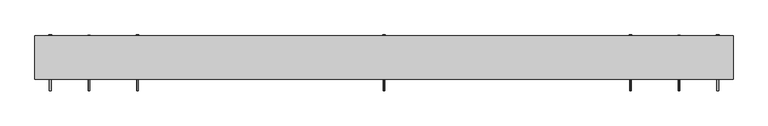
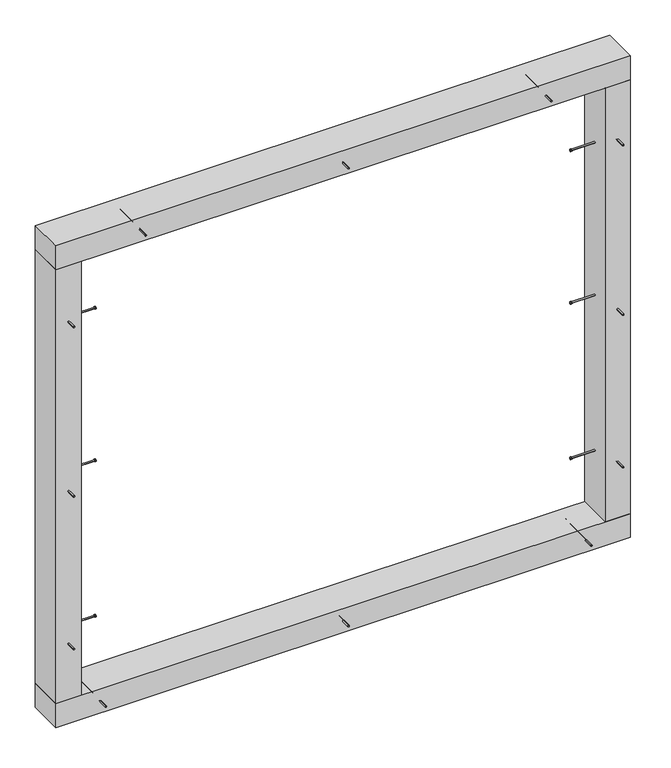
"""IFC4 building model written with IfcOpenShell, lengths in millimetres: proxy geometry."""

from ifc_helpers import new_model, si_unit, point, frame, frame_2d, origin, origin_with_axes, place, context, project, spatial, polyline, circle_curve, trimmed, segment, composite_curve, outline, extrude, source, transform, mapped, element, save


def generic_models_7e8bf7dc(model_context):
    return source(origin(), model_context, "Body", "SweptSolid", [
        extrude(outline(composite_curve([segment(trimmed(circle_curve(frame_2d((1677.5, 125.0)), 2.4700592), [point((1679.9700592, 125.0))], [point((1675.0299408, 125.0))], False, "CARTESIAN"), True, "CONTINUOUS"), segment(trimmed(circle_curve(frame_2d((1677.5, 125.0)), 2.4700592), [point((1675.0299408, 125.0))], [point((1679.9700592, 125.0))], False, "CARTESIAN"), True, "CONTINUOUS")], self_intersect=False)), frame((0.0, -67.0, 0.0), z_axis=(0.0, 1.0, 0.0), x_axis=(0.0, 0.0, 1.0)), (0.0, 0.0, 1.0), 152.0),
        extrude(outline(composite_curve([segment(trimmed(circle_curve(frame_2d((1677.5, 125.0)), 3.8), [point((1681.3, 125.0))], [point((1673.7, 125.0))], False, "CARTESIAN"), True, "CONTINUOUS"), segment(trimmed(circle_curve(frame_2d((1677.5, 125.0)), 3.8), [point((1673.7, 125.0))], [point((1681.3, 125.0))], False, "CARTESIAN"), True, "CONTINUOUS")], self_intersect=False)), frame((0.0, 85.0, 0.0), z_axis=(0.0, 1.0, 0.0), x_axis=(0.0, 0.0, 1.0)), (0.0, 0.0, 1.0), 3.0),
        extrude(outline(composite_curve([segment(trimmed(circle_curve(frame_2d((1677.5, 810.0)), 2.4700592), [point((1679.9700592, 810.0))], [point((1675.0299408, 810.0))], False, "CARTESIAN"), True, "CONTINUOUS"), segment(trimmed(circle_curve(frame_2d((1677.5, 810.0)), 2.4700592), [point((1675.0299408, 810.0))], [point((1679.9700592, 810.0))], False, "CARTESIAN"), True, "CONTINUOUS")], self_intersect=False)), frame((0.0, -67.0, 0.0), z_axis=(0.0, 1.0, 0.0), x_axis=(0.0, 0.0, 1.0)), (0.0, 0.0, 1.0), 152.0),
        extrude(outline(composite_curve([segment(trimmed(circle_curve(frame_2d((1677.5, 810.0)), 3.8), [point((1681.3, 810.0))], [point((1673.7, 810.0))], False, "CARTESIAN"), True, "CONTINUOUS"), segment(trimmed(circle_curve(frame_2d((1677.5, 810.0)), 3.8), [point((1673.7, 810.0))], [point((1681.3, 810.0))], False, "CARTESIAN"), True, "CONTINUOUS")], self_intersect=False)), frame((0.0, 85.0, 0.0), z_axis=(0.0, 1.0, 0.0), x_axis=(0.0, 0.0, 1.0)), (0.0, 0.0, 1.0), 3.0),
        extrude(outline(composite_curve([segment(trimmed(circle_curve(frame_2d((1677.5, -560.0)), 2.4700592), [point((1679.9700592, -560.0))], [point((1675.0299408, -560.0))], False, "CARTESIAN"), True, "CONTINUOUS"), segment(trimmed(circle_curve(frame_2d((1677.5, -560.0)), 2.4700592), [point((1675.0299408, -560.0))], [point((1679.9700592, -560.0))], False, "CARTESIAN"), True, "CONTINUOUS")], self_intersect=False)), frame((0.0, -67.0, 0.0), z_axis=(0.0, 1.0, 0.0), x_axis=(0.0, 0.0, 1.0)), (0.0, 0.0, 1.0), 152.0),
        extrude(outline(composite_curve([segment(trimmed(circle_curve(frame_2d((1677.5, -560.0)), 3.8), [point((1681.3, -560.0))], [point((1673.7, -560.0))], False, "CARTESIAN"), True, "CONTINUOUS"), segment(trimmed(circle_curve(frame_2d((1677.5, -560.0)), 3.8), [point((1673.7, -560.0))], [point((1681.3, -560.0))], False, "CARTESIAN"), True, "CONTINUOUS")], self_intersect=False)), frame((0.0, 85.0, 0.0), z_axis=(0.0, 1.0, 0.0), x_axis=(0.0, 0.0, 1.0)), (0.0, 0.0, 1.0), 3.0),
        extrude(outline(composite_curve([segment(trimmed(circle_curve(frame_2d((1677.5, -560.0)), 2.4700592), [point((1679.9700592, -560.0))], [point((1675.0299408, -560.0))], False, "CARTESIAN"), True, "CONTINUOUS"), segment(trimmed(circle_curve(frame_2d((1677.5, -560.0)), 2.4700592), [point((1675.0299408, -560.0))], [point((1679.9700592, -560.0))], False, "CARTESIAN"), True, "CONTINUOUS")], self_intersect=False)), frame((0.0, -67.0, 0.0), z_axis=(0.0, 1.0, 0.0), x_axis=(0.0, 0.0, 1.0)), (0.0, 0.0, 1.0), 152.0),
        extrude(outline(composite_curve([segment(trimmed(circle_curve(frame_2d((1677.5, -560.0)), 3.8), [point((1681.3, -560.0))], [point((1673.7, -560.0))], False, "CARTESIAN"), True, "CONTINUOUS"), segment(trimmed(circle_curve(frame_2d((1677.5, -560.0)), 3.8), [point((1673.7, -560.0))], [point((1681.3, -560.0))], False, "CARTESIAN"), True, "CONTINUOUS")], self_intersect=False)), frame((0.0, 85.0, 0.0), z_axis=(0.0, 1.0, 0.0), x_axis=(0.0, 0.0, 1.0)), (0.0, 0.0, 1.0), 3.0),
        extrude(outline(composite_curve([segment(trimmed(circle_curve(frame_2d((1677.5, 810.0)), 2.4700592), [point((1679.9700592, 810.0))], [point((1675.0299408, 810.0))], False, "CARTESIAN"), True, "CONTINUOUS"), segment(trimmed(circle_curve(frame_2d((1677.5, 810.0)), 2.4700592), [point((1675.0299408, 810.0))], [point((1679.9700592, 810.0))], False, "CARTESIAN"), True, "CONTINUOUS")], self_intersect=False)), frame((0.0, -67.0, 0.0), z_axis=(0.0, 1.0, 0.0), x_axis=(0.0, 0.0, 1.0)), (0.0, 0.0, 1.0), 152.0),
        extrude(outline(composite_curve([segment(trimmed(circle_curve(frame_2d((1677.5, 810.0)), 3.8), [point((1681.3, 810.0))], [point((1673.7, 810.0))], False, "CARTESIAN"), True, "CONTINUOUS"), segment(trimmed(circle_curve(frame_2d((1677.5, 810.0)), 3.8), [point((1673.7, 810.0))], [point((1681.3, 810.0))], False, "CARTESIAN"), True, "CONTINUOUS")], self_intersect=False)), frame((0.0, 85.0, 0.0), z_axis=(0.0, 1.0, 0.0), x_axis=(0.0, 0.0, 1.0)), (0.0, 0.0, 1.0), 3.0),
        extrude(outline(polyline([(1095.0, -35.0), (-845.0, -35.0), (-845.0, 85.0), (1095.0, 85.0), (1095.0, -35.0)])), frame((0.0, 0.0, 1635.0), z_axis=(0.0, 0.0, 1.0), x_axis=(1.0, 0.0, 0.0)), (0.0, 0.0, 1.0), 85.0),
        extrude(outline(composite_curve([segment(trimmed(circle_curve(frame_2d((42.5, 125.0)), 2.4700592), [point((44.9700592, 125.0))], [point((40.0299408, 125.0))], False, "CARTESIAN"), True, "CONTINUOUS"), segment(trimmed(circle_curve(frame_2d((42.5, 125.0)), 2.4700592), [point((40.0299408, 125.0))], [point((44.9700592, 125.0))], False, "CARTESIAN"), True, "CONTINUOUS")], self_intersect=False)), frame((0.0, -67.0, 0.0), z_axis=(0.0, 1.0, 0.0), x_axis=(0.0, 0.0, 1.0)), (0.0, 0.0, 1.0), 152.0),
        extrude(outline(composite_curve([segment(trimmed(circle_curve(frame_2d((42.5, 125.0)), 3.8), [point((46.3, 125.0))], [point((38.7, 125.0))], False, "CARTESIAN"), True, "CONTINUOUS"), segment(trimmed(circle_curve(frame_2d((42.5, 125.0)), 3.8), [point((38.7, 125.0))], [point((46.3, 125.0))], False, "CARTESIAN"), True, "CONTINUOUS")], self_intersect=False)), frame((0.0, 85.0, 0.0), z_axis=(0.0, 1.0, 0.0), x_axis=(0.0, 0.0, 1.0)), (0.0, 0.0, 1.0), 3.0),
        extrude(outline(composite_curve([segment(trimmed(circle_curve(frame_2d((42.5, 945.0)), 2.4700592), [point((44.9700592, 945.0))], [point((40.0299408, 945.0))], False, "CARTESIAN"), True, "CONTINUOUS"), segment(trimmed(circle_curve(frame_2d((42.5, 945.0)), 2.4700592), [point((40.0299408, 945.0))], [point((44.9700592, 945.0))], False, "CARTESIAN"), True, "CONTINUOUS")], self_intersect=False)), frame((0.0, -67.0, 0.0), z_axis=(0.0, 1.0, 0.0), x_axis=(0.0, 0.0, 1.0)), (0.0, 0.0, 1.0), 152.0),
        extrude(outline(composite_curve([segment(trimmed(circle_curve(frame_2d((42.5, 945.0)), 3.8), [point((46.3, 945.0))], [point((38.7, 945.0))], False, "CARTESIAN"), True, "CONTINUOUS"), segment(trimmed(circle_curve(frame_2d((42.5, 945.0)), 3.8), [point((38.7, 945.0))], [point((46.3, 945.0))], False, "CARTESIAN"), True, "CONTINUOUS")], self_intersect=False)), frame((0.0, 85.0, 0.0), z_axis=(0.0, 1.0, 0.0), x_axis=(0.0, 0.0, 1.0)), (0.0, 0.0, 1.0), 3.0),
        extrude(outline(composite_curve([segment(trimmed(circle_curve(frame_2d((42.5, -695.0)), 2.4700592), [point((44.9700592, -695.0))], [point((40.0299408, -695.0))], False, "CARTESIAN"), True, "CONTINUOUS"), segment(trimmed(circle_curve(frame_2d((42.5, -695.0)), 2.4700592), [point((40.0299408, -695.0))], [point((44.9700592, -695.0))], False, "CARTESIAN"), True, "CONTINUOUS")], self_intersect=False)), frame((0.0, -67.0, 0.0), z_axis=(0.0, 1.0, 0.0), x_axis=(0.0, 0.0, 1.0)), (0.0, 0.0, 1.0), 152.0),
        extrude(outline(composite_curve([segment(trimmed(circle_curve(frame_2d((42.5, -695.0)), 3.8), [point((46.3, -695.0))], [point((38.7, -695.0))], False, "CARTESIAN"), True, "CONTINUOUS"), segment(trimmed(circle_curve(frame_2d((42.5, -695.0)), 3.8), [point((38.7, -695.0))], [point((46.3, -695.0))], False, "CARTESIAN"), True, "CONTINUOUS")], self_intersect=False)), frame((0.0, 85.0, 0.0), z_axis=(0.0, 1.0, 0.0), x_axis=(0.0, 0.0, 1.0)), (0.0, 0.0, 1.0), 3.0),
        extrude(outline(composite_curve([segment(trimmed(circle_curve(frame_2d((42.5, -695.0)), 2.4700592), [point((44.9700592, -695.0))], [point((40.0299408, -695.0))], False, "CARTESIAN"), True, "CONTINUOUS"), segment(trimmed(circle_curve(frame_2d((42.5, -695.0)), 2.4700592), [point((40.0299408, -695.0))], [point((44.9700592, -695.0))], False, "CARTESIAN"), True, "CONTINUOUS")], self_intersect=False)), frame((0.0, -67.0, 0.0), z_axis=(0.0, 1.0, 0.0), x_axis=(0.0, 0.0, 1.0)), (0.0, 0.0, 1.0), 152.0),
        extrude(outline(composite_curve([segment(trimmed(circle_curve(frame_2d((42.5, -695.0)), 3.8), [point((46.3, -695.0))], [point((38.7, -695.0))], False, "CARTESIAN"), True, "CONTINUOUS"), segment(trimmed(circle_curve(frame_2d((42.5, -695.0)), 3.8), [point((38.7, -695.0))], [point((46.3, -695.0))], False, "CARTESIAN"), True, "CONTINUOUS")], self_intersect=False)), frame((0.0, 85.0, 0.0), z_axis=(0.0, 1.0, 0.0), x_axis=(0.0, 0.0, 1.0)), (0.0, 0.0, 1.0), 3.0),
        extrude(outline(composite_curve([segment(trimmed(circle_curve(frame_2d((42.5, 945.0)), 2.4700592), [point((44.9700592, 945.0))], [point((40.0299408, 945.0))], False, "CARTESIAN"), True, "CONTINUOUS"), segment(trimmed(circle_curve(frame_2d((42.5, 945.0)), 2.4700592), [point((40.0299408, 945.0))], [point((44.9700592, 945.0))], False, "CARTESIAN"), True, "CONTINUOUS")], self_intersect=False)), frame((0.0, -67.0, 0.0), z_axis=(0.0, 1.0, 0.0), x_axis=(0.0, 0.0, 1.0)), (0.0, 0.0, 1.0), 152.0),
        extrude(outline(composite_curve([segment(trimmed(circle_curve(frame_2d((42.5, 945.0)), 3.8), [point((46.3, 945.0))], [point((38.7, 945.0))], False, "CARTESIAN"), True, "CONTINUOUS"), segment(trimmed(circle_curve(frame_2d((42.5, 945.0)), 3.8), [point((38.7, 945.0))], [point((46.3, 945.0))], False, "CARTESIAN"), True, "CONTINUOUS")], self_intersect=False)), frame((0.0, 85.0, 0.0), z_axis=(0.0, 1.0, 0.0), x_axis=(0.0, 0.0, 1.0)), (0.0, 0.0, 1.0), 3.0),
        extrude(outline(polyline([(1095.0, -35.0), (-845.0, -35.0), (-845.0, 85.0), (1095.0, 85.0), (1095.0, -35.0)])), origin_with_axes(), (0.0, 0.0, 1.0), 85.0),
        extrude(outline(composite_curve([segment(trimmed(circle_curve(frame_2d((25.0, 305.0)), 2.4700592), [point((22.5299408, 305.0))], [point((27.4700592, 305.0))], False, "CARTESIAN"), True, "CONTINUOUS"), segment(trimmed(circle_curve(frame_2d((25.0, 305.0)), 2.4700592), [point((27.4700592, 305.0))], [point((22.5299408, 305.0))], False, "CARTESIAN"), True, "CONTINUOUS")], self_intersect=False)), frame((-820.0, 0.0, 0.0), z_axis=(1.0, 0.0, 0.0), x_axis=(0.0, 1.0, 0.0)), (0.0, 0.0, 1.0), 140.0),
        extrude(outline(composite_curve([segment(trimmed(circle_curve(frame_2d((25.0, 305.0)), 3.8), [point((21.2, 305.0))], [point((28.8, 305.0))], False, "CARTESIAN"), True, "CONTINUOUS"), segment(trimmed(circle_curve(frame_2d((25.0, 305.0)), 3.8), [point((28.8, 305.0))], [point((21.2, 305.0))], False, "CARTESIAN"), True, "CONTINUOUS")], self_intersect=False)), frame((-680.0, 0.0, 0.0), z_axis=(1.0, 0.0, 0.0), x_axis=(0.0, 1.0, 0.0)), (0.0, 0.0, 1.0), 3.0),
        extrude(outline(composite_curve([segment(trimmed(circle_curve(frame_2d((25.0, 1405.0)), 2.4700592), [point((22.5299408, 1405.0))], [point((27.4700592, 1405.0))], False, "CARTESIAN"), True, "CONTINUOUS"), segment(trimmed(circle_curve(frame_2d((25.0, 1405.0)), 2.4700592), [point((27.4700592, 1405.0))], [point((22.5299408, 1405.0))], False, "CARTESIAN"), True, "CONTINUOUS")], self_intersect=False)), frame((-820.0, 0.0, 0.0), z_axis=(1.0, 0.0, 0.0), x_axis=(0.0, 1.0, 0.0)), (0.0, 0.0, 1.0), 140.0),
        extrude(outline(composite_curve([segment(trimmed(circle_curve(frame_2d((25.0, 1405.0)), 3.8), [point((21.2, 1405.0))], [point((28.8, 1405.0))], False, "CARTESIAN"), True, "CONTINUOUS"), segment(trimmed(circle_curve(frame_2d((25.0, 1405.0)), 3.8), [point((28.8, 1405.0))], [point((21.2, 1405.0))], False, "CARTESIAN"), True, "CONTINUOUS")], self_intersect=False)), frame((-680.0, 0.0, 0.0), z_axis=(1.0, 0.0, 0.0), x_axis=(0.0, 1.0, 0.0)), (0.0, 0.0, 1.0), 3.0),
        extrude(outline(composite_curve([segment(trimmed(circle_curve(frame_2d((830.0, -802.5)), 2.4700592), [point((830.0, -804.9700592))], [point((830.0, -800.0299408))], False, "CARTESIAN"), True, "CONTINUOUS"), segment(trimmed(circle_curve(frame_2d((830.0, -802.5)), 2.4700592), [point((830.0, -800.0299408))], [point((830.0, -804.9700592))], False, "CARTESIAN"), True, "CONTINUOUS")], self_intersect=False)), frame((0.0, -67.0, 0.0), z_axis=(0.0, 1.0, 0.0), x_axis=(0.0, 0.0, 1.0)), (0.0, 0.0, 1.0), 152.0),
        extrude(outline(composite_curve([segment(trimmed(circle_curve(frame_2d((830.0, -802.5)), 3.8), [point((830.0, -806.3))], [point((830.0, -798.7))], False, "CARTESIAN"), True, "CONTINUOUS"), segment(trimmed(circle_curve(frame_2d((830.0, -802.5)), 3.8), [point((830.0, -798.7))], [point((830.0, -806.3))], False, "CARTESIAN"), True, "CONTINUOUS")], self_intersect=False)), frame((0.0, 85.0, 0.0), z_axis=(0.0, 1.0, 0.0), x_axis=(0.0, 0.0, 1.0)), (0.0, 0.0, 1.0), 3.0),
        extrude(outline(composite_curve([segment(trimmed(circle_curve(frame_2d((25.0, 860.0)), 2.4700592), [point((22.5299408, 860.0))], [point((27.4700592, 860.0))], False, "CARTESIAN"), True, "CONTINUOUS"), segment(trimmed(circle_curve(frame_2d((25.0, 860.0)), 2.4700592), [point((27.4700592, 860.0))], [point((22.5299408, 860.0))], False, "CARTESIAN"), True, "CONTINUOUS")], self_intersect=False)), frame((-820.0, 0.0, 0.0), z_axis=(1.0, 0.0, 0.0), x_axis=(0.0, 1.0, 0.0)), (0.0, 0.0, 1.0), 140.0),
        extrude(outline(composite_curve([segment(trimmed(circle_curve(frame_2d((25.0, 860.0)), 3.8), [point((21.2, 860.0))], [point((28.8, 860.0))], False, "CARTESIAN"), True, "CONTINUOUS"), segment(trimmed(circle_curve(frame_2d((25.0, 860.0)), 3.8), [point((28.8, 860.0))], [point((21.2, 860.0))], False, "CARTESIAN"), True, "CONTINUOUS")], self_intersect=False)), frame((-680.0, 0.0, 0.0), z_axis=(1.0, 0.0, 0.0), x_axis=(0.0, 1.0, 0.0)), (0.0, 0.0, 1.0), 3.0),
        extrude(outline(composite_curve([segment(trimmed(circle_curve(frame_2d((1435.0, -802.5)), 2.4700592), [point((1435.0, -804.9700592))], [point((1435.0, -800.0299408))], False, "CARTESIAN"), True, "CONTINUOUS"), segment(trimmed(circle_curve(frame_2d((1435.0, -802.5)), 2.4700592), [point((1435.0, -800.0299408))], [point((1435.0, -804.9700592))], False, "CARTESIAN"), True, "CONTINUOUS")], self_intersect=False)), frame((0.0, -67.0, 0.0), z_axis=(0.0, 1.0, 0.0), x_axis=(0.0, 0.0, 1.0)), (0.0, 0.0, 1.0), 152.0),
        extrude(outline(composite_curve([segment(trimmed(circle_curve(frame_2d((1435.0, -802.5)), 3.8), [point((1435.0, -806.3))], [point((1435.0, -798.7))], False, "CARTESIAN"), True, "CONTINUOUS"), segment(trimmed(circle_curve(frame_2d((1435.0, -802.5)), 3.8), [point((1435.0, -798.7))], [point((1435.0, -806.3))], False, "CARTESIAN"), True, "CONTINUOUS")], self_intersect=False)), frame((0.0, 85.0, 0.0), z_axis=(0.0, 1.0, 0.0), x_axis=(0.0, 0.0, 1.0)), (0.0, 0.0, 1.0), 3.0),
        extrude(outline(composite_curve([segment(trimmed(circle_curve(frame_2d((285.0, -802.5)), 2.4700592), [point((285.0, -804.9700592))], [point((285.0, -800.0299408))], False, "CARTESIAN"), True, "CONTINUOUS"), segment(trimmed(circle_curve(frame_2d((285.0, -802.5)), 2.4700592), [point((285.0, -800.0299408))], [point((285.0, -804.9700592))], False, "CARTESIAN"), True, "CONTINUOUS")], self_intersect=False)), frame((0.0, -67.0, 0.0), z_axis=(0.0, 1.0, 0.0), x_axis=(0.0, 0.0, 1.0)), (0.0, 0.0, 1.0), 152.0),
        extrude(outline(composite_curve([segment(trimmed(circle_curve(frame_2d((285.0, -802.5)), 3.8), [point((285.0, -806.3))], [point((285.0, -798.7))], False, "CARTESIAN"), True, "CONTINUOUS"), segment(trimmed(circle_curve(frame_2d((285.0, -802.5)), 3.8), [point((285.0, -798.7))], [point((285.0, -806.3))], False, "CARTESIAN"), True, "CONTINUOUS")], self_intersect=False)), frame((0.0, 85.0, 0.0), z_axis=(0.0, 1.0, 0.0), x_axis=(0.0, 0.0, 1.0)), (0.0, 0.0, 1.0), 3.0),
        extrude(outline(polyline([(-845.0, -35.0), (-845.0, 85.0), (-760.0, 85.0), (-760.0, -35.0), (-845.0, -35.0)])), frame((0.0, 0.0, 85.0), z_axis=(0.0, 0.0, 1.0), x_axis=(1.0, 0.0, 0.0)), (0.0, 0.0, 1.0), 1550.0),
        extrude(outline(composite_curve([segment(trimmed(circle_curve(frame_2d((25.0, 305.0)), 2.4700592), [point((22.5299408, 305.0))], [point((27.4700592, 305.0))], False, "CARTESIAN"), True, "CONTINUOUS"), segment(trimmed(circle_curve(frame_2d((25.0, 305.0)), 2.4700592), [point((27.4700592, 305.0))], [point((22.5299408, 305.0))], False, "CARTESIAN"), True, "CONTINUOUS")], self_intersect=False)), frame((930.0, 0.0, 0.0), z_axis=(1.0, 0.0, 0.0), x_axis=(0.0, 1.0, 0.0)), (0.0, 0.0, 1.0), 140.0),
        extrude(outline(composite_curve([segment(trimmed(circle_curve(frame_2d((25.0, 305.0)), 3.8), [point((21.2, 305.0))], [point((28.8, 305.0))], False, "CARTESIAN"), True, "CONTINUOUS"), segment(trimmed(circle_curve(frame_2d((25.0, 305.0)), 3.8), [point((28.8, 305.0))], [point((21.2, 305.0))], False, "CARTESIAN"), True, "CONTINUOUS")], self_intersect=False)), frame((927.0, 0.0, 0.0), z_axis=(1.0, 0.0, 0.0), x_axis=(0.0, 1.0, 0.0)), (0.0, 0.0, 1.0), 3.0),
        extrude(outline(composite_curve([segment(trimmed(circle_curve(frame_2d((25.0, 1405.0)), 2.4700592), [point((22.5299408, 1405.0))], [point((27.4700592, 1405.0))], False, "CARTESIAN"), True, "CONTINUOUS"), segment(trimmed(circle_curve(frame_2d((25.0, 1405.0)), 2.4700592), [point((27.4700592, 1405.0))], [point((22.5299408, 1405.0))], False, "CARTESIAN"), True, "CONTINUOUS")], self_intersect=False)), frame((930.0, 0.0, 0.0), z_axis=(1.0, 0.0, 0.0), x_axis=(0.0, 1.0, 0.0)), (0.0, 0.0, 1.0), 140.0),
        extrude(outline(composite_curve([segment(trimmed(circle_curve(frame_2d((25.0, 1405.0)), 3.8), [point((21.2, 1405.0))], [point((28.8, 1405.0))], False, "CARTESIAN"), True, "CONTINUOUS"), segment(trimmed(circle_curve(frame_2d((25.0, 1405.0)), 3.8), [point((28.8, 1405.0))], [point((21.2, 1405.0))], False, "CARTESIAN"), True, "CONTINUOUS")], self_intersect=False)), frame((927.0, 0.0, 0.0), z_axis=(1.0, 0.0, 0.0), x_axis=(0.0, 1.0, 0.0)), (0.0, 0.0, 1.0), 3.0),
        extrude(outline(composite_curve([segment(trimmed(circle_curve(frame_2d((830.0, 1052.5)), 2.4700592), [point((830.0, 1054.9700592))], [point((830.0, 1050.0299408))], False, "CARTESIAN"), True, "CONTINUOUS"), segment(trimmed(circle_curve(frame_2d((830.0, 1052.5)), 2.4700592), [point((830.0, 1050.0299408))], [point((830.0, 1054.9700592))], False, "CARTESIAN"), True, "CONTINUOUS")], self_intersect=False)), frame((0.0, -67.0, 0.0), z_axis=(0.0, 1.0, 0.0), x_axis=(0.0, 0.0, 1.0)), (0.0, 0.0, 1.0), 152.0),
        extrude(outline(composite_curve([segment(trimmed(circle_curve(frame_2d((830.0, 1052.5)), 3.8), [point((830.0, 1056.3))], [point((830.0, 1048.7))], False, "CARTESIAN"), True, "CONTINUOUS"), segment(trimmed(circle_curve(frame_2d((830.0, 1052.5)), 3.8), [point((830.0, 1048.7))], [point((830.0, 1056.3))], False, "CARTESIAN"), True, "CONTINUOUS")], self_intersect=False)), frame((0.0, 85.0, 0.0), z_axis=(0.0, 1.0, 0.0), x_axis=(0.0, 0.0, 1.0)), (0.0, 0.0, 1.0), 3.0),
        extrude(outline(composite_curve([segment(trimmed(circle_curve(frame_2d((25.0, 860.0)), 2.4700592), [point((22.5299408, 860.0))], [point((27.4700592, 860.0))], False, "CARTESIAN"), True, "CONTINUOUS"), segment(trimmed(circle_curve(frame_2d((25.0, 860.0)), 2.4700592), [point((27.4700592, 860.0))], [point((22.5299408, 860.0))], False, "CARTESIAN"), True, "CONTINUOUS")], self_intersect=False)), frame((930.0, 0.0, 0.0), z_axis=(1.0, 0.0, 0.0), x_axis=(0.0, 1.0, 0.0)), (0.0, 0.0, 1.0), 140.0),
        extrude(outline(composite_curve([segment(trimmed(circle_curve(frame_2d((25.0, 860.0)), 3.8), [point((21.2, 860.0))], [point((28.8, 860.0))], False, "CARTESIAN"), True, "CONTINUOUS"), segment(trimmed(circle_curve(frame_2d((25.0, 860.0)), 3.8), [point((28.8, 860.0))], [point((21.2, 860.0))], False, "CARTESIAN"), True, "CONTINUOUS")], self_intersect=False)), frame((927.0, 0.0, 0.0), z_axis=(1.0, 0.0, 0.0), x_axis=(0.0, 1.0, 0.0)), (0.0, 0.0, 1.0), 3.0),
        extrude(outline(composite_curve([segment(trimmed(circle_curve(frame_2d((1435.0, 1052.5)), 2.4700592), [point((1435.0, 1054.9700592))], [point((1435.0, 1050.0299408))], False, "CARTESIAN"), True, "CONTINUOUS"), segment(trimmed(circle_curve(frame_2d((1435.0, 1052.5)), 2.4700592), [point((1435.0, 1050.0299408))], [point((1435.0, 1054.9700592))], False, "CARTESIAN"), True, "CONTINUOUS")], self_intersect=False)), frame((0.0, -67.0, 0.0), z_axis=(0.0, 1.0, 0.0), x_axis=(0.0, 0.0, 1.0)), (0.0, 0.0, 1.0), 152.0),
        extrude(outline(composite_curve([segment(trimmed(circle_curve(frame_2d((1435.0, 1052.5)), 3.8), [point((1435.0, 1056.3))], [point((1435.0, 1048.7))], False, "CARTESIAN"), True, "CONTINUOUS"), segment(trimmed(circle_curve(frame_2d((1435.0, 1052.5)), 3.8), [point((1435.0, 1048.7))], [point((1435.0, 1056.3))], False, "CARTESIAN"), True, "CONTINUOUS")], self_intersect=False)), frame((0.0, 85.0, 0.0), z_axis=(0.0, 1.0, 0.0), x_axis=(0.0, 0.0, 1.0)), (0.0, 0.0, 1.0), 3.0),
        extrude(outline(composite_curve([segment(trimmed(circle_curve(frame_2d((285.0, 1052.5)), 2.4700592), [point((285.0, 1054.9700592))], [point((285.0, 1050.0299408))], False, "CARTESIAN"), True, "CONTINUOUS"), segment(trimmed(circle_curve(frame_2d((285.0, 1052.5)), 2.4700592), [point((285.0, 1050.0299408))], [point((285.0, 1054.9700592))], False, "CARTESIAN"), True, "CONTINUOUS")], self_intersect=False)), frame((0.0, -67.0, 0.0), z_axis=(0.0, 1.0, 0.0), x_axis=(0.0, 0.0, 1.0)), (0.0, 0.0, 1.0), 152.0),
        extrude(outline(composite_curve([segment(trimmed(circle_curve(frame_2d((285.0, 1052.5)), 3.8), [point((285.0, 1056.3))], [point((285.0, 1048.7))], False, "CARTESIAN"), True, "CONTINUOUS"), segment(trimmed(circle_curve(frame_2d((285.0, 1052.5)), 3.8), [point((285.0, 1048.7))], [point((285.0, 1056.3))], False, "CARTESIAN"), True, "CONTINUOUS")], self_intersect=False)), frame((0.0, 85.0, 0.0), z_axis=(0.0, 1.0, 0.0), x_axis=(0.0, 0.0, 1.0)), (0.0, 0.0, 1.0), 3.0),
        extrude(outline(polyline([(1095.0, -35.0), (1010.0, -35.0), (1010.0, 85.0), (1095.0, 85.0), (1095.0, -35.0)])), frame((0.0, 0.0, 85.0), z_axis=(0.0, 0.0, 1.0), x_axis=(1.0, 0.0, 0.0)), (0.0, 0.0, 1.0), 1550.0),
    ])


if __name__ == "__main__":
    model = new_model("IFC4")
    model_context = context("Model", 3, world=origin())
    ifc_project = project(units=[si_unit("LENGTHUNIT", "METRE", prefix="MILLI")], contexts=[model_context])
    site = spatial("IfcSite", under=ifc_project)
    building = spatial("IfcBuilding", under=site)
    placement = place(None, origin())
    generic_models_shape = generic_models_7e8bf7dc(model_context)
    element("IfcBuildingElementProxy", 1, Name="Generic Models", at=placement, inside=building, context=model_context, shape_type="MappedRepresentation", body=[
        mapped(generic_models_shape, transform((0.0, 0.0, 0.0), x_axis=(1.0, 0.0, 0.0), y_axis=(0.0, 1.0, 0.0), z_axis=(0.0, 0.0, 1.0))),
    ])
    save(model, "model.ifc")
